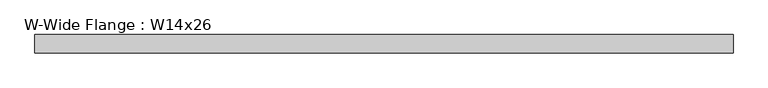
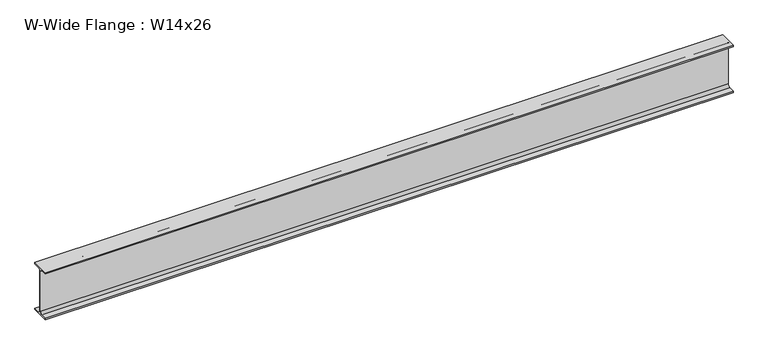
"""IFC4 building model written with IfcOpenShell, lengths in millimetres: beam geometry, W-Wide Flange : W14x26."""

from ifc_helpers import new_model, si_unit, point, frame, frame_2d, origin, place, context, project, spatial, polyline, circle_curve, trimmed, segment, composite_curve, outline, extrude, source, transform, mapped, element, save


def w_wide_flange_w14x26_72028e57(model_context):
    return source(origin(), model_context, "Body", "SweptSolid", [
        extrude(outline(composite_curve([segment(polyline([(63.881, -165.862), (63.881, -176.53), (-63.881, -176.53), (-63.881, -165.862), (-21.1455, -165.862)]), True, "CONTINUOUS"), segment(trimmed(circle_curve(frame_2d((-21.1455, -147.955)), 17.907), [point((-21.1455, -165.862))], [point((-3.2385, -147.955))], True, "CARTESIAN"), True, "CONTINUOUS"), segment(polyline([(-3.2385, -147.955), (-3.2385, 147.955)]), True, "CONTINUOUS"), segment(trimmed(circle_curve(frame_2d((-21.1455, 147.955)), 17.907), [point((-3.2385, 147.955))], [point((-21.1455, 165.862))], True, "CARTESIAN"), True, "CONTINUOUS"), segment(polyline([(-21.1455, 165.862), (-63.881, 165.862), (-63.881, 176.53), (63.881, 176.53), (63.881, 165.862), (21.1455, 165.862)]), True, "CONTINUOUS"), segment(trimmed(circle_curve(frame_2d((21.1455, 147.955)), 17.907), [point((21.1455, 165.862))], [point((3.2385, 147.955))], True, "CARTESIAN"), True, "CONTINUOUS"), segment(polyline([(3.2385, 147.955), (3.2385, -147.955)]), True, "CONTINUOUS"), segment(trimmed(circle_curve(frame_2d((21.1455, -147.955)), 17.907), [point((3.2385, -147.955))], [point((21.1455, -165.862))], True, "CARTESIAN"), True, "CONTINUOUS"), segment(polyline([(21.1455, -165.862), (63.881, -165.862)]), True, "CONTINUOUS")], self_intersect=False)), frame((-2452.3596065, 0.0, 0.0), z_axis=(1.0, 0.0, 0.0), x_axis=(0.0, 1.0, 0.0)), (0.0, 0.0, 1.0), 4853.94),
    ])


if __name__ == "__main__":
    model = new_model("IFC4")
    model_context = context("Model", 3, world=origin())
    ifc_project = project(units=[si_unit("LENGTHUNIT", "METRE", prefix="MILLI")], contexts=[model_context])
    site = spatial("IfcSite", under=ifc_project)
    building = spatial("IfcBuilding", under=site)
    placement = place(None, origin())
    w_wide_flange_w14x26_shape = w_wide_flange_w14x26_72028e57(model_context)
    element("IfcBeam", 1, ObjectType="W-Wide Flange : W14x26", at=placement, inside=building, context=model_context, shape_type="MappedRepresentation", body=[
        mapped(w_wide_flange_w14x26_shape, transform((0.0, 0.0, 0.0), x_axis=(1.0, 0.0, 0.0), y_axis=(0.0, 1.0, 0.0), z_axis=(0.0, 0.0, 1.0))),
    ])
    save(model, "model.ifc")
